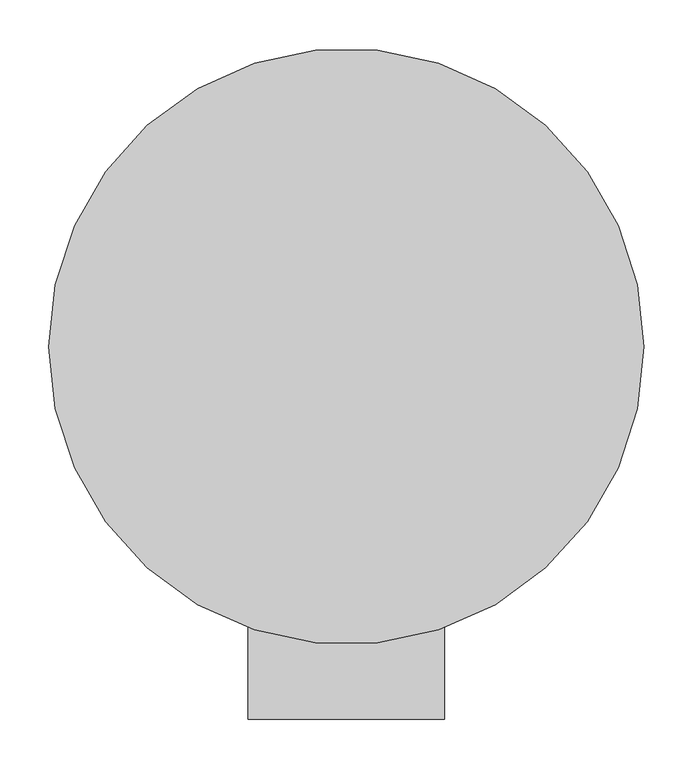
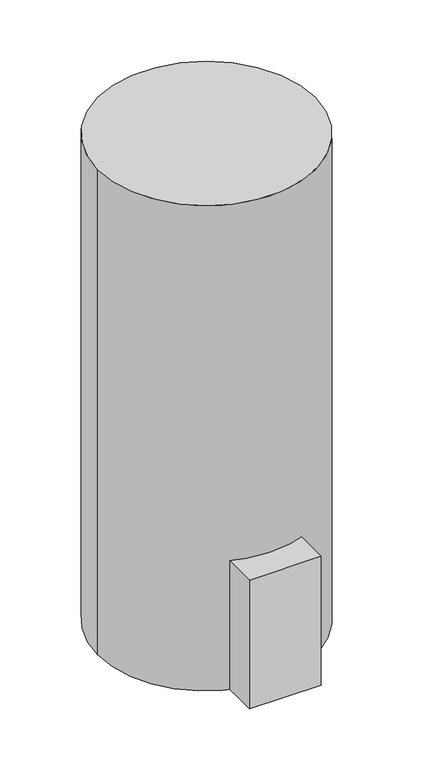
"""IFC4 building model written with IfcOpenShell, lengths in millimetres: proxy geometry."""

from ifc_helpers import new_model, si_unit, point, origin, origin_with_axes, origin_2d, place, context, project, spatial, polyline, circle_curve, trimmed, segment, composite_curve, outline, extrude, source, transform, mapped, element, save


def mechanical_equipment_dbe17d69(model_context):
    return source(origin(), model_context, "Body", "SweptSolid", [
        extrude(outline(polyline([(-100.584, -228.6), (100.584, -228.6), (100.584, -381.0), (-100.584, -381.0), (-100.584, -228.6)])), origin_with_axes(), (0.0, 0.0, 1.0), 381.0),
        extrude(outline(composite_curve([segment(trimmed(circle_curve(origin_2d(), 304.8), [point((-304.8, 0.0))], [point((304.8, 0.0))], False, "CARTESIAN"), True, "CONTINUOUS"), segment(trimmed(circle_curve(origin_2d(), 304.8), [point((304.8, 0.0))], [point((-304.8, 0.0))], False, "CARTESIAN"), True, "CONTINUOUS")], self_intersect=False)), origin_with_axes(), (0.0, 0.0, 1.0), 1435.1),
    ])


if __name__ == "__main__":
    model = new_model("IFC4")
    model_context = context("Model", 3, world=origin())
    ifc_project = project(units=[si_unit("LENGTHUNIT", "METRE", prefix="MILLI")], contexts=[model_context])
    site = spatial("IfcSite", under=ifc_project)
    building = spatial("IfcBuilding", under=site)
    placement = place(None, origin())
    mechanical_equipment_shape = mechanical_equipment_dbe17d69(model_context)
    element("IfcBuildingElementProxy", 1, Name="Mechanical Equipment", at=placement, inside=building, context=model_context, shape_type="MappedRepresentation", body=[
        mapped(mechanical_equipment_shape, transform((0.0, 0.0, 0.0), x_axis=(1.0, 0.0, 0.0), y_axis=(0.0, 1.0, 0.0), z_axis=(0.0, 0.0, 1.0))),
    ])
    save(model, "model.ifc")
